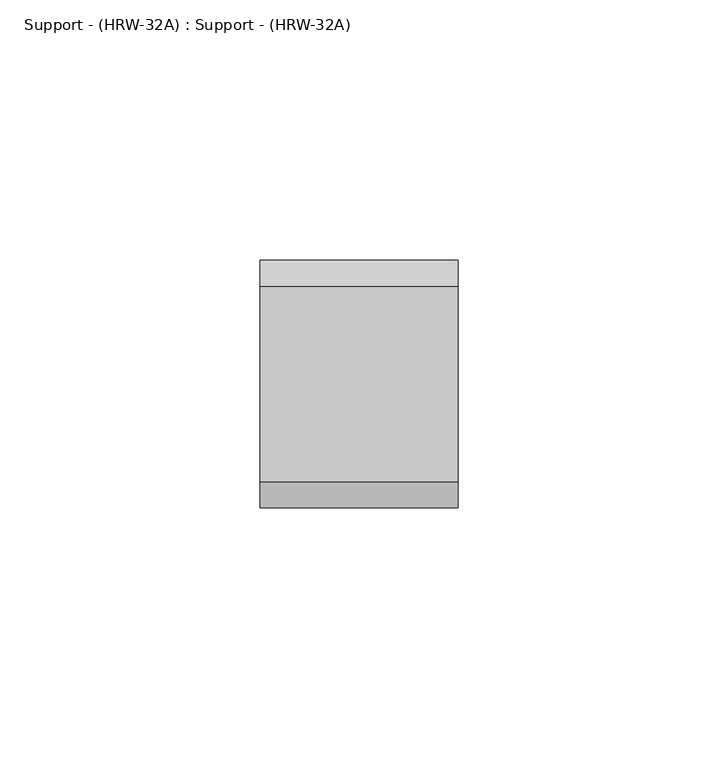
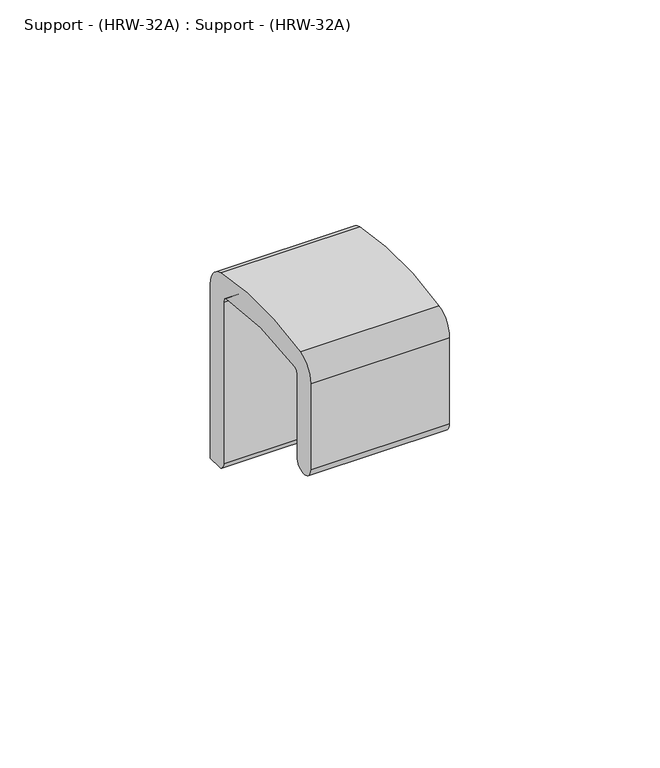
"""IFC4 building model written with IfcOpenShell, lengths in millimetres: proxy geometry, Support - (HRW-32A) : Support - (HRW-32A)."""

from ifc_helpers import new_model, si_unit, point, frame, frame_2d, origin, place, context, project, spatial, polyline, circle_curve, trimmed, segment, composite_curve, outline, extrude, source, transform, mapped, element, save


def support_hrw_32a_support_hrw_32a_0fbbcb26(model_context):
    return source(origin(), model_context, "Body", "SweptSolid", [
        extrude(outline(composite_curve([segment(trimmed(circle_curve(frame_2d((12.1960818, 38.2805477)), 3.175254), [point((15.3713358, 38.2805477))], [point((9.0208278, 38.2805477))], False, "CARTESIAN"), True, "CONTINUOUS"), segment(polyline([(9.0208278, 38.2805477), (9.0208277, 63.2579635)]), True, "CONTINUOUS"), segment(trimmed(circle_curve(frame_2d((15.3954197, 63.2579635)), 6.374592), [point((9.0208277, 63.2579635))], [point((14.046095, 69.4881116))], False, "CARTESIAN"), True, "CONTINUOUS"), segment(trimmed(circle_curve(frame_2d((32.8725635, -17.4381028)), 88.9415686), [point((14.046095, 69.4881116))], [point((51.6726766, 69.4938152))], False, "CARTESIAN"), True, "CONTINUOUS"), segment(trimmed(circle_curve(frame_2d((50.3273471, 63.2729978)), 6.3646274), [point((51.6726766, 69.4938152))], [point((56.6919745, 63.2729978))], False, "CARTESIAN"), True, "CONTINUOUS"), segment(polyline([(56.6919745, 63.2729978), (56.6919745, 12.7088455), (52.4833331, 12.7088455)]), True, "CONTINUOUS"), segment(trimmed(circle_curve(frame_2d((52.4833331, 14.8789366)), 2.1700911), [point((52.4833331, 12.7088455))], [point((50.313242, 14.8789366))], False, "CARTESIAN"), True, "CONTINUOUS"), segment(polyline([(50.313242, 14.8789366), (50.313242, 61.7597968)]), True, "CONTINUOUS"), segment(trimmed(circle_curve(frame_2d((48.4425153, 61.7597968)), 1.8707267), [point((50.313242, 61.7597968))], [point((48.8039585, 63.5952742))], True, "CARTESIAN"), True, "CONTINUOUS"), segment(trimmed(circle_curve(frame_2d((32.8462932, -17.4407787)), 82.5923057), [point((48.8039585, 63.5952742))], [point((16.5981637, 63.5375347))], True, "CARTESIAN"), True, "CONTINUOUS"), segment(trimmed(circle_curve(frame_2d((16.898622, 62.0400942)), 1.5272862), [point((16.5981637, 63.5375347))], [point((15.3713358, 62.0400942))], True, "CARTESIAN"), True, "CONTINUOUS"), segment(polyline([(15.3713358, 62.0400942), (15.3713358, 38.2805477)]), True, "CONTINUOUS")], self_intersect=False)), frame((-19.6503168, 0.0, 0.0), z_axis=(1.0, 0.0, 0.0), x_axis=(0.0, 1.0, 0.0)), (0.0, 0.0, 1.0), 38.1),
    ])


if __name__ == "__main__":
    model = new_model("IFC4")
    model_context = context("Model", 3, world=origin())
    ifc_project = project(units=[si_unit("LENGTHUNIT", "METRE", prefix="MILLI")], contexts=[model_context])
    site = spatial("IfcSite", under=ifc_project)
    building = spatial("IfcBuilding", under=site)
    placement = place(None, origin())
    support_hrw_32a_support_hrw_32a_shape = support_hrw_32a_support_hrw_32a_0fbbcb26(model_context)
    element("IfcBuildingElementProxy", 1, Name="Support - (HRW-32A) : Support - (HRW-32A)", ObjectType="Support - (HRW-32A) : Support - (HRW-32A)", at=placement, inside=building, context=model_context, shape_type="MappedRepresentation", body=[
        mapped(support_hrw_32a_support_hrw_32a_shape, transform((0.0, 0.0, 0.0), x_axis=(1.0, 0.0, 0.0), y_axis=(0.0, 1.0, 0.0), z_axis=(0.0, 0.0, 1.0))),
    ])
    save(model, "model.ifc")
